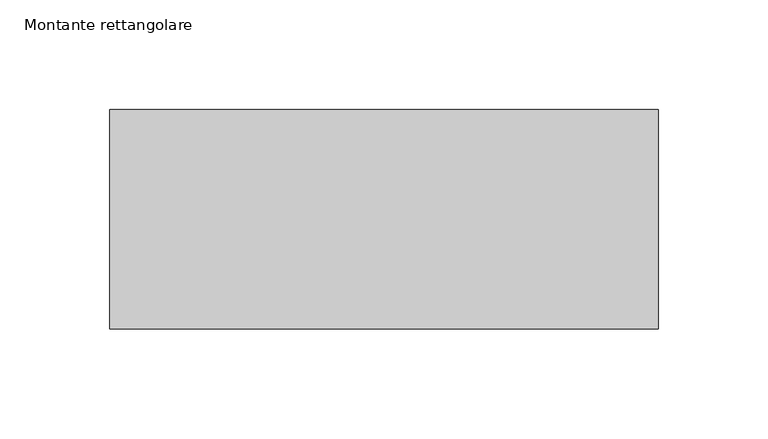
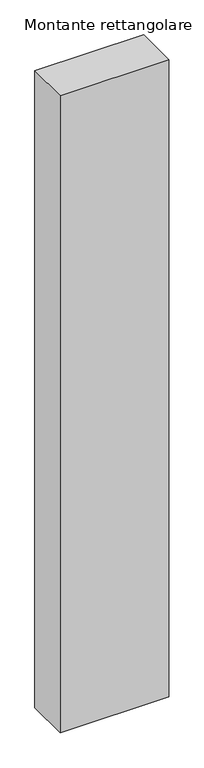
"""IFC4 building model written with IfcOpenShell, lengths in millimetres: member geometry, Montante rettangolare."""

from ifc_helpers import new_model, si_unit, frame, origin, place, context, project, spatial, polyline, outline, extrude, source, transform, mapped, element, save


def montante_rettangolare_dda1409f(model_context):
    return source(origin(), model_context, "Body", "SweptSolid", [
        extrude(outline(polyline([(0.0, 50.0), (0.0, -50.0), (-250.0, -50.0), (-250.0, 50.0), (0.0, 50.0)])), frame((0.0, 0.0, -1549.1528073), z_axis=(0.0, 0.0, 1.0), x_axis=(1.0, 0.0, 0.0)), (0.0, 0.0, 1.0), 1549.1528073),
    ])


if __name__ == "__main__":
    model = new_model("IFC4")
    model_context = context("Model", 3, world=origin())
    ifc_project = project(units=[si_unit("LENGTHUNIT", "METRE", prefix="MILLI")], contexts=[model_context])
    site = spatial("IfcSite", under=ifc_project)
    building = spatial("IfcBuilding", under=site)
    placement = place(None, origin())
    montante_rettangolare_shape = montante_rettangolare_dda1409f(model_context)
    element("IfcMember", 1, ObjectType="Montante rettangolare", at=placement, inside=building, context=model_context, shape_type="MappedRepresentation", body=[
        mapped(montante_rettangolare_shape, transform((0.0, 0.0, 0.0), x_axis=(1.0, 0.0, 0.0), y_axis=(0.0, 1.0, 0.0), z_axis=(0.0, 0.0, 1.0))),
    ])
    save(model, "model.ifc")
